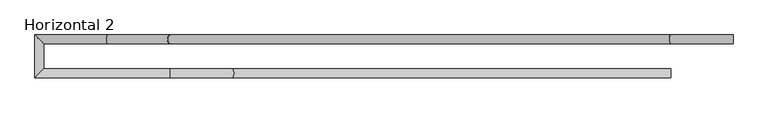
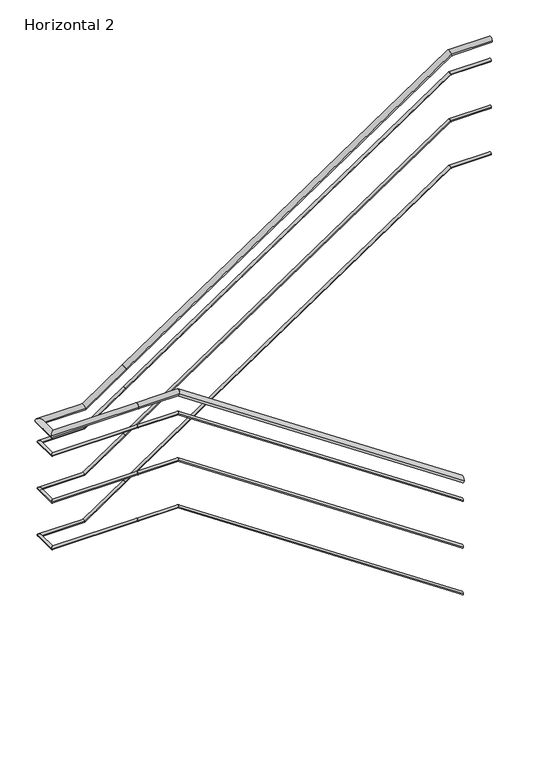
"""IFC4 building model written with IfcOpenShell, lengths in millimetres: railing geometry, Horizontal 2."""

from ifc_helpers import new_model, si_unit, frame, origin, place, context, project, spatial, circle_curve, ellipse_curve, source, transform, mapped, element, save
from ifc_brep_helpers import plane_surface, cylinder_surface, advanced_brep


def horizontal_2_b5299a0f(model_context):
    return source(origin(), model_context, "Body", "AdvancedBrep", [
        advanced_brep(
        [(27223.6802172, 3489.2722769, 1168.2352941), (27223.6802172, 3529.2722769, 1168.2352941), (25263.6802172, 3529.2722769, 2485.8823529), (25263.6802172, 3489.2722769, 2485.8823529), (24983.6802172, 3489.2722769, 2485.8823529), (24983.6802172, 3529.2722769, 2485.8823529)],
        [
            (0, 1, ellipse_curve(frame((27223.6802172, 3509.2722769, 1168.2352941), z_axis=(1.0, 0.0, 0.0), x_axis=(0.0, 0.0, -1.0)), 24.0993401, 20.0)),
            (1, 0, ellipse_curve(frame((27223.6802172, 3509.2722769, 1168.2352941), z_axis=(1.0, 0.0, 0.0), x_axis=(0.0, 0.0, -1.0)), 24.0993401, 20.0)),
            (1, 2),
            (2, 3, ellipse_curve(frame((25263.6802172, 3509.2722769, 2485.8823529), z_axis=(0.9565297283578037, 0.0, -0.29163483805565177), x_axis=(-0.2916348380556515, 0.0, -0.9565297283578038)), 20.9089163, 20.0)),
            (3, 0),
            (3, 2, ellipse_curve(frame((25263.6802172, 3509.2722769, 2485.8823529), z_axis=(0.9565297283578037, 0.0, -0.29163483805565177), x_axis=(-0.2916348380556515, 0.0, -0.9565297283578038)), 20.9089163, 20.0)),
            (4, 5, circle_curve(frame((24983.6802172, 3509.2722769, 2485.8823529), z_axis=(-1.0, 0.0, 0.0), x_axis=(0.0, 1.0, 0.0)), 20.0)),
            (5, 4, circle_curve(frame((24983.6802172, 3509.2722769, 2485.8823529), z_axis=(-1.0, 0.0, 0.0), x_axis=(0.0, 1.0, 0.0)), 20.0)),
            (2, 5),
            (4, 3),
        ],
        [
            plane_surface(frame((27223.6802172, 3509.2722769, 1168.2352941), z_axis=(1.0, 0.0, 0.0), x_axis=(0.0, -1.0, 0.0))),
            cylinder_surface(frame((27223.6802172, 3509.2722769, 1168.2352941), z_axis=(0.8298982424645077, 0.0, -0.5579147848500892), x_axis=(0.0, 1.0, 0.0)), 20.0),
            plane_surface(frame((24983.6802172, 3509.2722769, 2485.8823529), z_axis=(-1.0, 0.0, 0.0), x_axis=(0.0, -1.0, 0.0))),
            cylinder_surface(frame((25263.6802172, 3509.2722769, 2485.8823529), z_axis=(1.0, 0.0, 0.0), x_axis=(0.0, 1.0, 0.0)), 20.0),
        ],
        [
            (0, [[1, 2]]),
            (1, [[-2, 3, 4, 5]]),
            (1, [[-1, -5, 6, -3]]),
            (2, [[7, 8]]),
            (3, [[-4, 9, -7, 10]]),
            (3, [[-6, -10, -8, -9]]),
        ],
    ),
        advanced_brep(
        [(24983.6802172, 3489.2722769, 2485.8823529), (24983.6802172, 3529.2722769, 2485.8823529), (24378.2802172, 3489.2722769, 2485.8823529), (24418.2802172, 3529.2722769, 2485.8823529)],
        [
            (0, 1, circle_curve(frame((24983.6802172, 3509.2722769, 2485.8823529), z_axis=(1.0, 0.0, 0.0), x_axis=(0.0, 1.0, 0.0)), 20.0)),
            (1, 0, circle_curve(frame((24983.6802172, 3509.2722769, 2485.8823529), z_axis=(1.0, 0.0, 0.0), x_axis=(0.0, 1.0, 0.0)), 20.0)),
            (2, 3, ellipse_curve(frame((24398.2802172, 3509.2722769, 2485.8823529), z_axis=(-0.7071067811865462, 0.7071067811865489, 0.0), x_axis=(0.7071067811865487, 0.7071067811865462, 0.0)), 28.2842712, 20.0)),
            (3, 2, ellipse_curve(frame((24398.2802172, 3509.2722769, 2485.8823529), z_axis=(-0.7071067811865462, 0.7071067811865489, 0.0), x_axis=(0.7071067811865487, 0.7071067811865462, 0.0)), 28.2842712, 20.0)),
            (1, 3),
            (2, 0),
        ],
        [
            plane_surface(frame((24983.6802172, 3509.2722769, 2485.8823529), z_axis=(1.0, 0.0, 0.0), x_axis=(0.0, -1.0, 0.0))),
            plane_surface(frame((24398.2802172, 3509.2722769, 2485.8823529), z_axis=(-0.7071067811865462, 0.7071067811865489, 0.0), x_axis=(0.7071067811865489, 0.7071067811865462, 0.0))),
            cylinder_surface(frame((24983.6802172, 3509.2722769, 2485.8823529), z_axis=(1.0, 0.0, 0.0), x_axis=(0.0, 1.0, 0.0)), 20.0),
        ],
        [
            (0, [[1, 2]]),
            (1, [[3, 4]]),
            (2, [[-2, 5, -3, 6]]),
            (2, [[-1, -6, -4, -5]]),
        ],
    ),
        advanced_brep(
        [(27223.6802172, 3499.2722769, 1018.2352941), (27223.6802172, 3519.2722769, 1018.2352941), (25263.6802172, 3519.2722769, 2335.8823529), (25263.6802172, 3499.2722769, 2335.8823529), (24983.6802172, 3499.2722769, 2335.8823529), (24983.6802172, 3519.2722769, 2335.8823529)],
        [
            (0, 1, ellipse_curve(frame((27223.6802172, 3509.2722769, 1018.2352941), z_axis=(1.0, 0.0, 0.0), x_axis=(0.0, 0.0, -1.0)), 12.0496701, 10.0)),
            (1, 0, ellipse_curve(frame((27223.6802172, 3509.2722769, 1018.2352941), z_axis=(1.0, 0.0, 0.0), x_axis=(0.0, 0.0, -1.0)), 12.0496701, 10.0)),
            (1, 2),
            (2, 3, ellipse_curve(frame((25263.6802172, 3509.2722769, 2335.8823529), z_axis=(0.9565297283578037, 0.0, -0.29163483805565177), x_axis=(-0.2916348380556515, 0.0, -0.9565297283578038)), 10.4544581, 10.0)),
            (3, 0),
            (3, 2, ellipse_curve(frame((25263.6802172, 3509.2722769, 2335.8823529), z_axis=(0.9565297283578037, 0.0, -0.29163483805565177), x_axis=(-0.2916348380556515, 0.0, -0.9565297283578038)), 10.4544581, 10.0)),
            (4, 5, circle_curve(frame((24983.6802172, 3509.2722769, 2335.8823529), z_axis=(-1.0, 0.0, 0.0), x_axis=(0.0, 1.0, 0.0)), 10.0)),
            (5, 4, circle_curve(frame((24983.6802172, 3509.2722769, 2335.8823529), z_axis=(-1.0, 0.0, 0.0), x_axis=(0.0, 1.0, 0.0)), 10.0)),
            (2, 5),
            (4, 3),
        ],
        [
            plane_surface(frame((27223.6802172, 3509.2722769, 1018.2352941), z_axis=(1.0, 0.0, 0.0), x_axis=(0.0, -1.0, 0.0))),
            cylinder_surface(frame((27223.6802172, 3509.2722769, 1018.2352941), z_axis=(0.8298982424645077, 0.0, -0.5579147848500892), x_axis=(0.0, 1.0, 0.0)), 10.0),
            plane_surface(frame((24983.6802172, 3509.2722769, 2335.8823529), z_axis=(-1.0, 0.0, 0.0), x_axis=(0.0, -1.0, 0.0))),
            cylinder_surface(frame((25263.6802172, 3509.2722769, 2335.8823529), z_axis=(1.0, 0.0, 0.0), x_axis=(0.0, 1.0, 0.0)), 10.0),
        ],
        [
            (0, [[1, 2]]),
            (1, [[-2, 3, 4, 5]]),
            (1, [[-1, -5, 6, -3]]),
            (2, [[7, 8]]),
            (3, [[-4, 9, -7, 10]]),
            (3, [[-6, -10, -8, -9]]),
        ],
    ),
        advanced_brep(
        [(24983.6802172, 3499.2722769, 2335.8823529), (24983.6802172, 3519.2722769, 2335.8823529), (24388.2802172, 3499.2722769, 2335.8823529), (24408.2802172, 3519.2722769, 2335.8823529)],
        [
            (0, 1, circle_curve(frame((24983.6802172, 3509.2722769, 2335.8823529), z_axis=(1.0, 0.0, 0.0), x_axis=(0.0, 1.0, 0.0)), 10.0)),
            (1, 0, circle_curve(frame((24983.6802172, 3509.2722769, 2335.8823529), z_axis=(1.0, 0.0, 0.0), x_axis=(0.0, 1.0, 0.0)), 10.0)),
            (2, 3, ellipse_curve(frame((24398.2802172, 3509.2722769, 2335.8823529), z_axis=(-0.7071067811865462, 0.7071067811865489, 0.0), x_axis=(0.7071067811865487, 0.7071067811865462, 0.0)), 14.1421356, 10.0)),
            (3, 2, ellipse_curve(frame((24398.2802172, 3509.2722769, 2335.8823529), z_axis=(-0.7071067811865462, 0.7071067811865489, 0.0), x_axis=(0.7071067811865487, 0.7071067811865462, 0.0)), 14.1421356, 10.0)),
            (1, 3),
            (2, 0),
        ],
        [
            plane_surface(frame((24983.6802172, 3509.2722769, 2335.8823529), z_axis=(1.0, 0.0, 0.0), x_axis=(0.0, -1.0, 0.0))),
            plane_surface(frame((24398.2802172, 3509.2722769, 2335.8823529), z_axis=(-0.7071067811865462, 0.7071067811865489, 0.0), x_axis=(0.7071067811865489, 0.7071067811865462, 0.0))),
            cylinder_surface(frame((24983.6802172, 3509.2722769, 2335.8823529), z_axis=(1.0, 0.0, 0.0), x_axis=(0.0, 1.0, 0.0)), 10.0),
        ],
        [
            (0, [[1, 2]]),
            (1, [[3, 4]]),
            (2, [[-2, 5, -3, 6]]),
            (2, [[-1, -6, -4, -5]]),
        ],
    ),
        advanced_brep(
        [(24378.2802172, 3489.2722769, 2485.8823529), (24418.2802172, 3529.2722769, 2485.8823529), (24378.2802172, 3680.0722769, 2485.8823529), (24418.2802172, 3640.0722769, 2485.8823529)],
        [
            (0, 1, ellipse_curve(frame((24398.2802172, 3509.2722769, 2485.8823529), z_axis=(0.7071067811865462, -0.7071067811865489, 0.0), x_axis=(-0.7071067811865489, -0.707106781186546, 0.0)), 28.2842712, 20.0)),
            (1, 0, ellipse_curve(frame((24398.2802172, 3509.2722769, 2485.8823529), z_axis=(0.7071067811865462, -0.7071067811865489, 0.0), x_axis=(-0.7071067811865489, -0.707106781186546, 0.0)), 28.2842712, 20.0)),
            (2, 3, ellipse_curve(frame((24398.2802172, 3660.0722769, 2485.8823529), z_axis=(0.7071067811865489, 0.7071067811865461, 0.0), x_axis=(0.7071067811865461, -0.7071067811865489, 0.0)), 28.2842712, 20.0)),
            (3, 2, ellipse_curve(frame((24398.2802172, 3660.0722769, 2485.8823529), z_axis=(0.7071067811865489, 0.7071067811865461, 0.0), x_axis=(0.7071067811865461, -0.7071067811865489, 0.0)), 28.2842712, 20.0)),
            (1, 3),
            (2, 0),
        ],
        [
            plane_surface(frame((24398.2802172, 3509.2722769, 2485.8823529), z_axis=(0.7071067811865462, -0.7071067811865489, 0.0), x_axis=(0.7071067811865489, 0.7071067811865462, 0.0))),
            plane_surface(frame((24398.2802172, 3660.0722769, 2485.8823529), z_axis=(0.7071067811865489, 0.7071067811865461, 0.0), x_axis=(0.7071067811865461, -0.7071067811865489, 0.0))),
            cylinder_surface(frame((24398.2802172, 3509.2722769, 2485.8823529), z_axis=(0.0, -1.0, 0.0), x_axis=(1.0, 0.0, 0.0)), 20.0),
        ],
        [
            (0, [[1, 2]]),
            (1, [[3, 4]]),
            (2, [[-2, 5, -3, 6]]),
            (2, [[-1, -6, -4, -5]]),
        ],
    ),
        advanced_brep(
        [(24378.2802172, 3680.0722769, 2485.8823529), (24418.2802172, 3640.0722769, 2485.8823529), (24703.6802172, 3640.0722769, 2485.8823529), (24703.6802172, 3680.0722769, 2485.8823529), (24983.6802172, 3680.0722769, 2674.1176471), (24983.6802172, 3640.0722769, 2674.1176471)],
        [
            (0, 1, ellipse_curve(frame((24398.2802172, 3660.0722769, 2485.8823529), z_axis=(-0.7071067811865489, -0.7071067811865461, 0.0), x_axis=(-0.7071067811865461, 0.7071067811865489, 0.0)), 28.2842712, 20.0)),
            (1, 0, ellipse_curve(frame((24398.2802172, 3660.0722769, 2485.8823529), z_axis=(-0.7071067811865489, -0.7071067811865461, 0.0), x_axis=(-0.7071067811865461, 0.7071067811865489, 0.0)), 28.2842712, 20.0)),
            (1, 2),
            (2, 3, ellipse_curve(frame((24703.6802172, 3660.0722769, 2485.8823529), z_axis=(-0.9565297283578037, 0.0, -0.29163483805565177), x_axis=(-0.29163483805565205, 0.0, 0.9565297283578036)), 20.9089163, 20.0)),
            (3, 0),
            (3, 2, ellipse_curve(frame((24703.6802172, 3660.0722769, 2485.8823529), z_axis=(-0.9565297283578037, 0.0, -0.29163483805565177), x_axis=(-0.29163483805565205, 0.0, 0.9565297283578036)), 20.9089163, 20.0)),
            (4, 5, circle_curve(frame((24983.6802172, 3660.0722769, 2674.1176471), z_axis=(0.8298982424645075, 0.0, 0.5579147848500894), x_axis=(0.0, -1.0, 0.0)), 20.0)),
            (5, 4, circle_curve(frame((24983.6802172, 3660.0722769, 2674.1176471), z_axis=(0.8298982424645075, 0.0, 0.5579147848500894), x_axis=(0.0, -1.0, 0.0)), 20.0)),
            (2, 5),
            (4, 3),
        ],
        [
            plane_surface(frame((24398.2802172, 3660.0722769, 2485.8823529), z_axis=(-0.7071067811865489, -0.7071067811865461, 0.0), x_axis=(0.7071067811865461, -0.7071067811865489, 0.0))),
            cylinder_surface(frame((24398.2802172, 3660.0722769, 2485.8823529), z_axis=(-1.0, 0.0, 0.0), x_axis=(0.0, -1.0, 0.0)), 20.0),
            plane_surface(frame((24983.6802172, 3660.0722769, 2674.1176471), z_axis=(0.8298982424645076, 0.0, 0.5579147848500894), x_axis=(0.5579147848500894, 0.0, -0.8298982424645076))),
            cylinder_surface(frame((24703.6802172, 3660.0722769, 2485.8823529), z_axis=(-0.8298982424645075, 0.0, -0.5579147848500894), x_axis=(0.0, -1.0, 0.0)), 20.0),
        ],
        [
            (0, [[1, 2]]),
            (1, [[-2, 3, 4, 5]]),
            (1, [[-1, -5, 6, -3]]),
            (2, [[7, 8]]),
            (3, [[-4, 9, -7, 10]]),
            (3, [[-6, -10, -8, -9]]),
        ],
    ),
        advanced_brep(
        [(24983.6802172, 3680.0722769, 2674.1176471), (24983.6802172, 3640.0722769, 2674.1176471), (27223.6802172, 3640.0722769, 4180.0), (27223.6802172, 3680.0722769, 4180.0), (27503.6802172, 3680.0722769, 4180.0), (27503.6802172, 3640.0722769, 4180.0)],
        [
            (0, 1, circle_curve(frame((24983.6802172, 3660.0722769, 2674.1176471), z_axis=(-0.8298982424645077, 0.0, -0.557914784850089), x_axis=(0.0, -1.0, 0.0)), 20.0)),
            (1, 0, circle_curve(frame((24983.6802172, 3660.0722769, 2674.1176471), z_axis=(-0.8298982424645077, 0.0, -0.557914784850089), x_axis=(0.0, -1.0, 0.0)), 20.0)),
            (1, 2),
            (2, 3, ellipse_curve(frame((27223.6802172, 3660.0722769, 4180.0), z_axis=(-0.9565297283578037, 0.0, -0.2916348380556517), x_axis=(0.29163483805565155, 0.0, -0.9565297283578037)), 20.9089163, 20.0)),
            (3, 0),
            (3, 2, ellipse_curve(frame((27223.6802172, 3660.0722769, 4180.0), z_axis=(-0.9565297283578037, 0.0, -0.2916348380556517), x_axis=(0.29163483805565155, 0.0, -0.9565297283578037)), 20.9089163, 20.0)),
            (4, 5, circle_curve(frame((27503.6802172, 3660.0722769, 4180.0), z_axis=(1.0, 0.0, 0.0), x_axis=(0.0, -1.0, 0.0)), 20.0)),
            (5, 4, circle_curve(frame((27503.6802172, 3660.0722769, 4180.0), z_axis=(1.0, 0.0, 0.0), x_axis=(0.0, -1.0, 0.0)), 20.0)),
            (2, 5),
            (4, 3),
        ],
        [
            plane_surface(frame((24983.6802172, 3660.0722769, 2674.1176471), z_axis=(-0.8298982424645078, 0.0, -0.5579147848500889), x_axis=(0.5579147848500889, 0.0, -0.8298982424645078))),
            cylinder_surface(frame((24983.6802172, 3660.0722769, 2674.1176471), z_axis=(-0.8298982424645077, 0.0, -0.557914784850089), x_axis=(0.0, -1.0, 0.0)), 20.0),
            plane_surface(frame((27503.6802172, 3660.0722769, 4180.0), z_axis=(1.0, 0.0, 0.0), x_axis=(0.0, 1.0, 0.0))),
            cylinder_surface(frame((27223.6802172, 3660.0722769, 4180.0), z_axis=(-1.0, 0.0, 0.0), x_axis=(0.0, -1.0, 0.0)), 20.0),
        ],
        [
            (0, [[1, 2]]),
            (1, [[-2, 3, 4, 5]]),
            (1, [[-1, -5, 6, -3]]),
            (2, [[7, 8]]),
            (3, [[-4, 9, -7, 10]]),
            (3, [[-6, -10, -8, -9]]),
        ],
    ),
        advanced_brep(
        [(24388.2802172, 3499.2722769, 2335.8823529), (24408.2802172, 3519.2722769, 2335.8823529), (24388.2802172, 3670.0722769, 2335.8823529), (24408.2802172, 3650.0722769, 2335.8823529)],
        [
            (0, 1, ellipse_curve(frame((24398.2802172, 3509.2722769, 2335.8823529), z_axis=(0.7071067811865462, -0.7071067811865489, 0.0), x_axis=(-0.7071067811865489, -0.707106781186546, 0.0)), 14.1421356, 10.0)),
            (1, 0, ellipse_curve(frame((24398.2802172, 3509.2722769, 2335.8823529), z_axis=(0.7071067811865462, -0.7071067811865489, 0.0), x_axis=(-0.7071067811865489, -0.707106781186546, 0.0)), 14.1421356, 10.0)),
            (2, 3, ellipse_curve(frame((24398.2802172, 3660.0722769, 2335.8823529), z_axis=(0.7071067811865489, 0.7071067811865461, 0.0), x_axis=(0.7071067811865461, -0.7071067811865489, 0.0)), 14.1421356, 10.0)),
            (3, 2, ellipse_curve(frame((24398.2802172, 3660.0722769, 2335.8823529), z_axis=(0.7071067811865489, 0.7071067811865461, 0.0), x_axis=(0.7071067811865461, -0.7071067811865489, 0.0)), 14.1421356, 10.0)),
            (1, 3),
            (2, 0),
        ],
        [
            plane_surface(frame((24398.2802172, 3509.2722769, 2335.8823529), z_axis=(0.7071067811865462, -0.7071067811865489, 0.0), x_axis=(0.7071067811865489, 0.7071067811865462, 0.0))),
            plane_surface(frame((24398.2802172, 3660.0722769, 2335.8823529), z_axis=(0.7071067811865489, 0.7071067811865461, 0.0), x_axis=(0.7071067811865461, -0.7071067811865489, 0.0))),
            cylinder_surface(frame((24398.2802172, 3509.2722769, 2335.8823529), z_axis=(0.0, -1.0, 0.0), x_axis=(1.0, 0.0, 0.0)), 10.0),
        ],
        [
            (0, [[1, 2]]),
            (1, [[3, 4]]),
            (2, [[-2, 5, -3, 6]]),
            (2, [[-1, -6, -4, -5]]),
        ],
    ),
        advanced_brep(
        [(24388.2802172, 3670.0722769, 2335.8823529), (24408.2802172, 3650.0722769, 2335.8823529), (24703.6802172, 3650.0722769, 2335.8823529), (24703.6802172, 3670.0722769, 2335.8823529), (24983.6802172, 3670.0722769, 2524.1176471), (24983.6802172, 3650.0722769, 2524.1176471)],
        [
            (0, 1, ellipse_curve(frame((24398.2802172, 3660.0722769, 2335.8823529), z_axis=(-0.7071067811865489, -0.7071067811865461, 0.0), x_axis=(-0.7071067811865461, 0.7071067811865489, 0.0)), 14.1421356, 10.0)),
            (1, 0, ellipse_curve(frame((24398.2802172, 3660.0722769, 2335.8823529), z_axis=(-0.7071067811865489, -0.7071067811865461, 0.0), x_axis=(-0.7071067811865461, 0.7071067811865489, 0.0)), 14.1421356, 10.0)),
            (1, 2),
            (2, 3, ellipse_curve(frame((24703.6802172, 3660.0722769, 2335.8823529), z_axis=(-0.9565297283578037, 0.0, -0.29163483805565177), x_axis=(-0.29163483805565205, 0.0, 0.9565297283578036)), 10.4544581, 10.0)),
            (3, 0),
            (3, 2, ellipse_curve(frame((24703.6802172, 3660.0722769, 2335.8823529), z_axis=(-0.9565297283578037, 0.0, -0.29163483805565177), x_axis=(-0.29163483805565205, 0.0, 0.9565297283578036)), 10.4544581, 10.0)),
            (4, 5, circle_curve(frame((24983.6802172, 3660.0722769, 2524.1176471), z_axis=(0.8298982424645075, 0.0, 0.5579147848500894), x_axis=(0.0, -1.0, 0.0)), 10.0)),
            (5, 4, circle_curve(frame((24983.6802172, 3660.0722769, 2524.1176471), z_axis=(0.8298982424645075, 0.0, 0.5579147848500894), x_axis=(0.0, -1.0, 0.0)), 10.0)),
            (2, 5),
            (4, 3),
        ],
        [
            plane_surface(frame((24398.2802172, 3660.0722769, 2335.8823529), z_axis=(-0.7071067811865489, -0.7071067811865461, 0.0), x_axis=(0.7071067811865461, -0.7071067811865489, 0.0))),
            cylinder_surface(frame((24398.2802172, 3660.0722769, 2335.8823529), z_axis=(-1.0, 0.0, 0.0), x_axis=(0.0, -1.0, 0.0)), 10.0),
            plane_surface(frame((24983.6802172, 3660.0722769, 2524.1176471), z_axis=(0.8298982424645076, 0.0, 0.5579147848500894), x_axis=(0.5579147848500894, 0.0, -0.8298982424645076))),
            cylinder_surface(frame((24703.6802172, 3660.0722769, 2335.8823529), z_axis=(-0.8298982424645075, 0.0, -0.5579147848500894), x_axis=(0.0, -1.0, 0.0)), 10.0),
        ],
        [
            (0, [[1, 2]]),
            (1, [[-2, 3, 4, 5]]),
            (1, [[-1, -5, 6, -3]]),
            (2, [[7, 8]]),
            (3, [[-4, 9, -7, 10]]),
            (3, [[-6, -10, -8, -9]]),
        ],
    ),
        advanced_brep(
        [(24983.6802172, 3670.0722769, 2524.1176471), (24983.6802172, 3650.0722769, 2524.1176471), (27223.6802172, 3650.0722769, 4030.0), (27223.6802172, 3670.0722769, 4030.0), (27503.6802172, 3670.0722769, 4030.0), (27503.6802172, 3650.0722769, 4030.0)],
        [
            (0, 1, circle_curve(frame((24983.6802172, 3660.0722769, 2524.1176471), z_axis=(-0.8298982424645077, 0.0, -0.557914784850089), x_axis=(0.0, -1.0, 0.0)), 10.0)),
            (1, 0, circle_curve(frame((24983.6802172, 3660.0722769, 2524.1176471), z_axis=(-0.8298982424645077, 0.0, -0.557914784850089), x_axis=(0.0, -1.0, 0.0)), 10.0)),
            (1, 2),
            (2, 3, ellipse_curve(frame((27223.6802172, 3660.0722769, 4030.0), z_axis=(-0.9565297283578037, 0.0, -0.2916348380556517), x_axis=(0.29163483805565155, 0.0, -0.9565297283578037)), 10.4544581, 10.0)),
            (3, 0),
            (3, 2, ellipse_curve(frame((27223.6802172, 3660.0722769, 4030.0), z_axis=(-0.9565297283578037, 0.0, -0.2916348380556517), x_axis=(0.29163483805565155, 0.0, -0.9565297283578037)), 10.4544581, 10.0)),
            (4, 5, circle_curve(frame((27503.6802172, 3660.0722769, 4030.0), z_axis=(1.0, 0.0, 0.0), x_axis=(0.0, -1.0, 0.0)), 10.0)),
            (5, 4, circle_curve(frame((27503.6802172, 3660.0722769, 4030.0), z_axis=(1.0, 0.0, 0.0), x_axis=(0.0, -1.0, 0.0)), 10.0)),
            (2, 5),
            (4, 3),
        ],
        [
            plane_surface(frame((24983.6802172, 3660.0722769, 2524.1176471), z_axis=(-0.8298982424645078, 0.0, -0.5579147848500889), x_axis=(0.5579147848500889, 0.0, -0.8298982424645078))),
            cylinder_surface(frame((24983.6802172, 3660.0722769, 2524.1176471), z_axis=(-0.8298982424645077, 0.0, -0.557914784850089), x_axis=(0.0, -1.0, 0.0)), 10.0),
            plane_surface(frame((27503.6802172, 3660.0722769, 4030.0), z_axis=(1.0, 0.0, 0.0), x_axis=(0.0, 1.0, 0.0))),
            cylinder_surface(frame((27223.6802172, 3660.0722769, 4030.0), z_axis=(-1.0, 0.0, 0.0), x_axis=(0.0, -1.0, 0.0)), 10.0),
        ],
        [
            (0, [[1, 2]]),
            (1, [[-2, 3, 4, 5]]),
            (1, [[-1, -5, 6, -3]]),
            (2, [[7, 8]]),
            (3, [[-4, 9, -7, 10]]),
            (3, [[-6, -10, -8, -9]]),
        ],
    ),
        advanced_brep(
        [(27223.6802172, 3499.2722769, 678.2352941), (27223.6802172, 3519.2722769, 678.2352941), (25263.6802172, 3499.2722769, 1995.8823529), (25263.6802172, 3519.2722769, 1995.8823529), (24983.6802172, 3499.2722769, 1995.8823529), (24983.6802172, 3519.2722769, 1995.8823529)],
        [
            (0, 1, ellipse_curve(frame((27223.6802172, 3509.2722769, 678.2352941), z_axis=(1.0, 0.0, 0.0), x_axis=(0.0, 0.0, -1.0)), 12.0496701, 10.0)),
            (1, 0, ellipse_curve(frame((27223.6802172, 3509.2722769, 678.2352941), z_axis=(1.0, 0.0, 0.0), x_axis=(0.0, 0.0, -1.0)), 12.0496701, 10.0)),
            (0, 2),
            (2, 3, ellipse_curve(frame((25263.6802172, 3509.2722769, 1995.8823529), z_axis=(0.9565297283578037, 0.0, -0.29163483805565177), x_axis=(-0.2916348380556515, 0.0, -0.9565297283578038)), 10.4544581, 10.0)),
            (3, 1),
            (3, 2, ellipse_curve(frame((25263.6802172, 3509.2722769, 1995.8823529), z_axis=(0.9565297283578037, 0.0, -0.29163483805565177), x_axis=(-0.2916348380556515, 0.0, -0.9565297283578038)), 10.4544581, 10.0)),
            (4, 5, circle_curve(frame((24983.6802172, 3509.2722769, 1995.8823529), z_axis=(-1.0, 0.0, 0.0), x_axis=(0.0, 1.0, 0.0)), 10.0)),
            (5, 4, circle_curve(frame((24983.6802172, 3509.2722769, 1995.8823529), z_axis=(-1.0, 0.0, 0.0), x_axis=(0.0, 1.0, 0.0)), 10.0)),
            (2, 4),
            (5, 3),
        ],
        [
            plane_surface(frame((27223.6802172, 3509.2722769, 678.2352941), z_axis=(1.0, 0.0, 0.0), x_axis=(0.0, -1.0, 0.0))),
            cylinder_surface(frame((27223.6802172, 3509.2722769, 678.2352941), z_axis=(0.8298982424645077, 0.0, -0.5579147848500892), x_axis=(0.0, 1.0, 0.0)), 10.0),
            plane_surface(frame((24983.6802172, 3509.2722769, 1995.8823529), z_axis=(-1.0, 0.0, 0.0), x_axis=(0.0, -1.0, 0.0))),
            cylinder_surface(frame((25263.6802172, 3509.2722769, 1995.8823529), z_axis=(1.0, 0.0, 0.0), x_axis=(0.0, 1.0, 0.0)), 10.0),
        ],
        [
            (0, [[1, 2]]),
            (1, [[-1, 3, 4, 5]]),
            (1, [[-2, -5, 6, -3]]),
            (2, [[7, 8]]),
            (3, [[-4, 9, -8, 10]]),
            (3, [[-6, -10, -7, -9]]),
        ],
    ),
        advanced_brep(
        [(24983.6802172, 3499.2722769, 1995.8823529), (24983.6802172, 3519.2722769, 1995.8823529), (24388.2802172, 3499.2722769, 1995.8823529), (24408.2802172, 3519.2722769, 1995.8823529)],
        [
            (0, 1, circle_curve(frame((24983.6802172, 3509.2722769, 1995.8823529), z_axis=(1.0, 0.0, 0.0), x_axis=(0.0, 1.0, 0.0)), 10.0)),
            (1, 0, circle_curve(frame((24983.6802172, 3509.2722769, 1995.8823529), z_axis=(1.0, 0.0, 0.0), x_axis=(0.0, 1.0, 0.0)), 10.0)),
            (2, 3, ellipse_curve(frame((24398.2802172, 3509.2722769, 1995.8823529), z_axis=(-0.7071067811865462, 0.7071067811865489, 0.0), x_axis=(0.7071067811865487, 0.7071067811865462, 0.0)), 14.1421356, 10.0)),
            (3, 2, ellipse_curve(frame((24398.2802172, 3509.2722769, 1995.8823529), z_axis=(-0.7071067811865462, 0.7071067811865489, 0.0), x_axis=(0.7071067811865487, 0.7071067811865462, 0.0)), 14.1421356, 10.0)),
            (0, 2),
            (3, 1),
        ],
        [
            plane_surface(frame((24983.6802172, 3509.2722769, 1995.8823529), z_axis=(1.0, 0.0, 0.0), x_axis=(0.0, -1.0, 0.0))),
            plane_surface(frame((24398.2802172, 3509.2722769, 1995.8823529), z_axis=(-0.7071067811865462, 0.7071067811865489, 0.0), x_axis=(0.7071067811865489, 0.7071067811865462, 0.0))),
            cylinder_surface(frame((24983.6802172, 3509.2722769, 1995.8823529), z_axis=(1.0, 0.0, 0.0), x_axis=(0.0, 1.0, 0.0)), 10.0),
        ],
        [
            (0, [[1, 2]]),
            (1, [[3, 4]]),
            (2, [[-1, 5, -4, 6]]),
            (2, [[-2, -6, -3, -5]]),
        ],
    ),
        advanced_brep(
        [(24388.2802172, 3499.2722769, 1995.8823529), (24408.2802172, 3519.2722769, 1995.8823529), (24388.2802172, 3670.0722769, 1995.8823529), (24408.2802172, 3650.0722769, 1995.8823529)],
        [
            (0, 1, ellipse_curve(frame((24398.2802172, 3509.2722769, 1995.8823529), z_axis=(0.7071067811865462, -0.7071067811865489, 0.0), x_axis=(-0.7071067811865489, -0.707106781186546, 0.0)), 14.1421356, 10.0)),
            (1, 0, ellipse_curve(frame((24398.2802172, 3509.2722769, 1995.8823529), z_axis=(0.7071067811865462, -0.7071067811865489, 0.0), x_axis=(-0.7071067811865489, -0.707106781186546, 0.0)), 14.1421356, 10.0)),
            (2, 3, ellipse_curve(frame((24398.2802172, 3660.0722769, 1995.8823529), z_axis=(0.7071067811865489, 0.7071067811865461, 0.0), x_axis=(0.7071067811865461, -0.7071067811865489, 0.0)), 14.1421356, 10.0)),
            (3, 2, ellipse_curve(frame((24398.2802172, 3660.0722769, 1995.8823529), z_axis=(0.7071067811865489, 0.7071067811865461, 0.0), x_axis=(0.7071067811865461, -0.7071067811865489, 0.0)), 14.1421356, 10.0)),
            (0, 2),
            (3, 1),
        ],
        [
            plane_surface(frame((24398.2802172, 3509.2722769, 1995.8823529), z_axis=(0.7071067811865462, -0.7071067811865489, 0.0), x_axis=(0.7071067811865489, 0.7071067811865462, 0.0))),
            plane_surface(frame((24398.2802172, 3660.0722769, 1995.8823529), z_axis=(0.7071067811865489, 0.7071067811865461, 0.0), x_axis=(0.7071067811865461, -0.7071067811865489, 0.0))),
            cylinder_surface(frame((24398.2802172, 3509.2722769, 1995.8823529), z_axis=(0.0, -1.0, 0.0), x_axis=(1.0, 0.0, 0.0)), 10.0),
        ],
        [
            (0, [[1, 2]]),
            (1, [[3, 4]]),
            (2, [[-1, 5, -4, 6]]),
            (2, [[-2, -6, -3, -5]]),
        ],
    ),
        advanced_brep(
        [(24388.2802172, 3670.0722769, 1995.8823529), (24408.2802172, 3650.0722769, 1995.8823529), (24703.6802172, 3670.0722769, 1995.8823529), (24703.6802172, 3650.0722769, 1995.8823529), (24983.6802172, 3670.0722769, 2184.1176471), (24983.6802172, 3650.0722769, 2184.1176471)],
        [
            (0, 1, ellipse_curve(frame((24398.2802172, 3660.0722769, 1995.8823529), z_axis=(-0.7071067811865489, -0.7071067811865461, 0.0), x_axis=(-0.7071067811865461, 0.7071067811865489, 0.0)), 14.1421356, 10.0)),
            (1, 0, ellipse_curve(frame((24398.2802172, 3660.0722769, 1995.8823529), z_axis=(-0.7071067811865489, -0.7071067811865461, 0.0), x_axis=(-0.7071067811865461, 0.7071067811865489, 0.0)), 14.1421356, 10.0)),
            (0, 2),
            (2, 3, ellipse_curve(frame((24703.6802172, 3660.0722769, 1995.8823529), z_axis=(-0.9565297283578037, 0.0, -0.29163483805565177), x_axis=(-0.29163483805565205, 0.0, 0.9565297283578036)), 10.4544581, 10.0)),
            (3, 1),
            (3, 2, ellipse_curve(frame((24703.6802172, 3660.0722769, 1995.8823529), z_axis=(-0.9565297283578037, 0.0, -0.29163483805565177), x_axis=(-0.29163483805565205, 0.0, 0.9565297283578036)), 10.4544581, 10.0)),
            (4, 5, circle_curve(frame((24983.6802172, 3660.0722769, 2184.1176471), z_axis=(0.8298982424645075, 0.0, 0.5579147848500894), x_axis=(0.0, -1.0, 0.0)), 10.0)),
            (5, 4, circle_curve(frame((24983.6802172, 3660.0722769, 2184.1176471), z_axis=(0.8298982424645075, 0.0, 0.5579147848500894), x_axis=(0.0, -1.0, 0.0)), 10.0)),
            (2, 4),
            (5, 3),
        ],
        [
            plane_surface(frame((24398.2802172, 3660.0722769, 1995.8823529), z_axis=(-0.7071067811865489, -0.7071067811865461, 0.0), x_axis=(0.7071067811865461, -0.7071067811865489, 0.0))),
            cylinder_surface(frame((24398.2802172, 3660.0722769, 1995.8823529), z_axis=(-1.0, 0.0, 0.0), x_axis=(0.0, -1.0, 0.0)), 10.0),
            plane_surface(frame((24983.6802172, 3660.0722769, 2184.1176471), z_axis=(0.8298982424645076, 0.0, 0.5579147848500894), x_axis=(0.5579147848500894, 0.0, -0.8298982424645076))),
            cylinder_surface(frame((24703.6802172, 3660.0722769, 1995.8823529), z_axis=(-0.8298982424645075, 0.0, -0.5579147848500894), x_axis=(0.0, -1.0, 0.0)), 10.0),
        ],
        [
            (0, [[1, 2]]),
            (1, [[-1, 3, 4, 5]]),
            (1, [[-2, -5, 6, -3]]),
            (2, [[7, 8]]),
            (3, [[-4, 9, -8, 10]]),
            (3, [[-6, -10, -7, -9]]),
        ],
    ),
        advanced_brep(
        [(24983.6802172, 3670.0722769, 2184.1176471), (24983.6802172, 3650.0722769, 2184.1176471), (27223.6802172, 3670.0722769, 3690.0), (27223.6802172, 3650.0722769, 3690.0), (27503.6802172, 3670.0722769, 3690.0), (27503.6802172, 3650.0722769, 3690.0)],
        [
            (0, 1, circle_curve(frame((24983.6802172, 3660.0722769, 2184.1176471), z_axis=(-0.8298982424645077, 0.0, -0.557914784850089), x_axis=(0.0, -1.0, 0.0)), 10.0)),
            (1, 0, circle_curve(frame((24983.6802172, 3660.0722769, 2184.1176471), z_axis=(-0.8298982424645077, 0.0, -0.557914784850089), x_axis=(0.0, -1.0, 0.0)), 10.0)),
            (0, 2),
            (2, 3, ellipse_curve(frame((27223.6802172, 3660.0722769, 3690.0), z_axis=(-0.9565297283578037, 0.0, -0.2916348380556517), x_axis=(0.29163483805565155, 0.0, -0.9565297283578037)), 10.4544581, 10.0)),
            (3, 1),
            (3, 2, ellipse_curve(frame((27223.6802172, 3660.0722769, 3690.0), z_axis=(-0.9565297283578037, 0.0, -0.2916348380556517), x_axis=(0.29163483805565155, 0.0, -0.9565297283578037)), 10.4544581, 10.0)),
            (4, 5, circle_curve(frame((27503.6802172, 3660.0722769, 3690.0), z_axis=(1.0, 0.0, 0.0), x_axis=(0.0, -1.0, 0.0)), 10.0)),
            (5, 4, circle_curve(frame((27503.6802172, 3660.0722769, 3690.0), z_axis=(1.0, 0.0, 0.0), x_axis=(0.0, -1.0, 0.0)), 10.0)),
            (2, 4),
            (5, 3),
        ],
        [
            plane_surface(frame((24983.6802172, 3660.0722769, 2184.1176471), z_axis=(-0.8298982424645078, 0.0, -0.5579147848500889), x_axis=(0.5579147848500889, 0.0, -0.8298982424645078))),
            cylinder_surface(frame((24983.6802172, 3660.0722769, 2184.1176471), z_axis=(-0.8298982424645077, 0.0, -0.557914784850089), x_axis=(0.0, -1.0, 0.0)), 10.0),
            plane_surface(frame((27503.6802172, 3660.0722769, 3690.0), z_axis=(1.0, 0.0, 0.0), x_axis=(0.0, 1.0, 0.0))),
            cylinder_surface(frame((27223.6802172, 3660.0722769, 3690.0), z_axis=(-1.0, 0.0, 0.0), x_axis=(0.0, -1.0, 0.0)), 10.0),
        ],
        [
            (0, [[1, 2]]),
            (1, [[-1, 3, 4, 5]]),
            (1, [[-2, -5, 6, -3]]),
            (2, [[7, 8]]),
            (3, [[-4, 9, -8, 10]]),
            (3, [[-6, -10, -7, -9]]),
        ],
    ),
        advanced_brep(
        [(27223.6802172, 3499.2722769, 338.2352941), (27223.6802172, 3519.2722769, 338.2352941), (25263.6802172, 3499.2722769, 1655.8823529), (25263.6802172, 3519.2722769, 1655.8823529), (24983.6802172, 3499.2722769, 1655.8823529), (24983.6802172, 3519.2722769, 1655.8823529)],
        [
            (0, 1, ellipse_curve(frame((27223.6802172, 3509.2722769, 338.2352941), z_axis=(1.0, 0.0, 0.0), x_axis=(0.0, 0.0, -1.0)), 12.0496701, 10.0)),
            (1, 0, ellipse_curve(frame((27223.6802172, 3509.2722769, 338.2352941), z_axis=(1.0, 0.0, 0.0), x_axis=(0.0, 0.0, -1.0)), 12.0496701, 10.0)),
            (0, 2),
            (2, 3, ellipse_curve(frame((25263.6802172, 3509.2722769, 1655.8823529), z_axis=(0.9565297283578037, 0.0, -0.29163483805565177), x_axis=(-0.2916348380556515, 0.0, -0.9565297283578038)), 10.4544581, 10.0)),
            (3, 1),
            (3, 2, ellipse_curve(frame((25263.6802172, 3509.2722769, 1655.8823529), z_axis=(0.9565297283578037, 0.0, -0.29163483805565177), x_axis=(-0.2916348380556515, 0.0, -0.9565297283578038)), 10.4544581, 10.0)),
            (4, 5, circle_curve(frame((24983.6802172, 3509.2722769, 1655.8823529), z_axis=(-1.0, 0.0, 0.0), x_axis=(0.0, 1.0, 0.0)), 10.0)),
            (5, 4, circle_curve(frame((24983.6802172, 3509.2722769, 1655.8823529), z_axis=(-1.0, 0.0, 0.0), x_axis=(0.0, 1.0, 0.0)), 10.0)),
            (2, 4),
            (5, 3),
        ],
        [
            plane_surface(frame((27223.6802172, 3509.2722769, 338.2352941), z_axis=(1.0, 0.0, 0.0), x_axis=(0.0, -1.0, 0.0))),
            cylinder_surface(frame((27223.6802172, 3509.2722769, 338.2352941), z_axis=(0.8298982424645077, 0.0, -0.5579147848500892), x_axis=(0.0, 1.0, 0.0)), 10.0),
            plane_surface(frame((24983.6802172, 3509.2722769, 1655.8823529), z_axis=(-1.0, 0.0, 0.0), x_axis=(0.0, -1.0, 0.0))),
            cylinder_surface(frame((25263.6802172, 3509.2722769, 1655.8823529), z_axis=(1.0, 0.0, 0.0), x_axis=(0.0, 1.0, 0.0)), 10.0),
        ],
        [
            (0, [[1, 2]]),
            (1, [[-1, 3, 4, 5]]),
            (1, [[-2, -5, 6, -3]]),
            (2, [[7, 8]]),
            (3, [[-4, 9, -8, 10]]),
            (3, [[-6, -10, -7, -9]]),
        ],
    ),
        advanced_brep(
        [(24983.6802172, 3499.2722769, 1655.8823529), (24983.6802172, 3519.2722769, 1655.8823529), (24388.2802172, 3499.2722769, 1655.8823529), (24408.2802172, 3519.2722769, 1655.8823529)],
        [
            (0, 1, circle_curve(frame((24983.6802172, 3509.2722769, 1655.8823529), z_axis=(1.0, 0.0, 0.0), x_axis=(0.0, 1.0, 0.0)), 10.0)),
            (1, 0, circle_curve(frame((24983.6802172, 3509.2722769, 1655.8823529), z_axis=(1.0, 0.0, 0.0), x_axis=(0.0, 1.0, 0.0)), 10.0)),
            (2, 3, ellipse_curve(frame((24398.2802172, 3509.2722769, 1655.8823529), z_axis=(-0.7071067811865462, 0.7071067811865489, 0.0), x_axis=(0.7071067811865487, 0.7071067811865462, 0.0)), 14.1421356, 10.0)),
            (3, 2, ellipse_curve(frame((24398.2802172, 3509.2722769, 1655.8823529), z_axis=(-0.7071067811865462, 0.7071067811865489, 0.0), x_axis=(0.7071067811865487, 0.7071067811865462, 0.0)), 14.1421356, 10.0)),
            (0, 2),
            (3, 1),
        ],
        [
            plane_surface(frame((24983.6802172, 3509.2722769, 1655.8823529), z_axis=(1.0, 0.0, 0.0), x_axis=(0.0, -1.0, 0.0))),
            plane_surface(frame((24398.2802172, 3509.2722769, 1655.8823529), z_axis=(-0.7071067811865462, 0.7071067811865489, 0.0), x_axis=(0.7071067811865489, 0.7071067811865462, 0.0))),
            cylinder_surface(frame((24983.6802172, 3509.2722769, 1655.8823529), z_axis=(1.0, 0.0, 0.0), x_axis=(0.0, 1.0, 0.0)), 10.0),
        ],
        [
            (0, [[1, 2]]),
            (1, [[3, 4]]),
            (2, [[-1, 5, -4, 6]]),
            (2, [[-2, -6, -3, -5]]),
        ],
    ),
        advanced_brep(
        [(24388.2802172, 3499.2722769, 1655.8823529), (24408.2802172, 3519.2722769, 1655.8823529), (24388.2802172, 3670.0722769, 1655.8823529), (24408.2802172, 3650.0722769, 1655.8823529)],
        [
            (0, 1, ellipse_curve(frame((24398.2802172, 3509.2722769, 1655.8823529), z_axis=(0.7071067811865462, -0.7071067811865489, 0.0), x_axis=(-0.7071067811865489, -0.707106781186546, 0.0)), 14.1421356, 10.0)),
            (1, 0, ellipse_curve(frame((24398.2802172, 3509.2722769, 1655.8823529), z_axis=(0.7071067811865462, -0.7071067811865489, 0.0), x_axis=(-0.7071067811865489, -0.707106781186546, 0.0)), 14.1421356, 10.0)),
            (2, 3, ellipse_curve(frame((24398.2802172, 3660.0722769, 1655.8823529), z_axis=(0.7071067811865489, 0.7071067811865461, 0.0), x_axis=(0.7071067811865461, -0.7071067811865489, 0.0)), 14.1421356, 10.0)),
            (3, 2, ellipse_curve(frame((24398.2802172, 3660.0722769, 1655.8823529), z_axis=(0.7071067811865489, 0.7071067811865461, 0.0), x_axis=(0.7071067811865461, -0.7071067811865489, 0.0)), 14.1421356, 10.0)),
            (0, 2),
            (3, 1),
        ],
        [
            plane_surface(frame((24398.2802172, 3509.2722769, 1655.8823529), z_axis=(0.7071067811865462, -0.7071067811865489, 0.0), x_axis=(0.7071067811865489, 0.7071067811865462, 0.0))),
            plane_surface(frame((24398.2802172, 3660.0722769, 1655.8823529), z_axis=(0.7071067811865489, 0.7071067811865461, 0.0), x_axis=(0.7071067811865461, -0.7071067811865489, 0.0))),
            cylinder_surface(frame((24398.2802172, 3509.2722769, 1655.8823529), z_axis=(0.0, -1.0, 0.0), x_axis=(1.0, 0.0, 0.0)), 10.0),
        ],
        [
            (0, [[1, 2]]),
            (1, [[3, 4]]),
            (2, [[-1, 5, -4, 6]]),
            (2, [[-2, -6, -3, -5]]),
        ],
    ),
        advanced_brep(
        [(24388.2802172, 3670.0722769, 1655.8823529), (24408.2802172, 3650.0722769, 1655.8823529), (24703.6802172, 3670.0722769, 1655.8823529), (24703.6802172, 3650.0722769, 1655.8823529), (24983.6802172, 3670.0722769, 1844.1176471), (24983.6802172, 3650.0722769, 1844.1176471)],
        [
            (0, 1, ellipse_curve(frame((24398.2802172, 3660.0722769, 1655.8823529), z_axis=(-0.7071067811865489, -0.7071067811865461, 0.0), x_axis=(-0.7071067811865461, 0.7071067811865489, 0.0)), 14.1421356, 10.0)),
            (1, 0, ellipse_curve(frame((24398.2802172, 3660.0722769, 1655.8823529), z_axis=(-0.7071067811865489, -0.7071067811865461, 0.0), x_axis=(-0.7071067811865461, 0.7071067811865489, 0.0)), 14.1421356, 10.0)),
            (0, 2),
            (2, 3, ellipse_curve(frame((24703.6802172, 3660.0722769, 1655.8823529), z_axis=(-0.9565297283578037, 0.0, -0.29163483805565177), x_axis=(-0.29163483805565205, 0.0, 0.9565297283578036)), 10.4544581, 10.0)),
            (3, 1),
            (3, 2, ellipse_curve(frame((24703.6802172, 3660.0722769, 1655.8823529), z_axis=(-0.9565297283578037, 0.0, -0.29163483805565177), x_axis=(-0.29163483805565205, 0.0, 0.9565297283578036)), 10.4544581, 10.0)),
            (4, 5, circle_curve(frame((24983.6802172, 3660.0722769, 1844.1176471), z_axis=(0.8298982424645075, 0.0, 0.5579147848500894), x_axis=(0.0, -1.0, 0.0)), 10.0)),
            (5, 4, circle_curve(frame((24983.6802172, 3660.0722769, 1844.1176471), z_axis=(0.8298982424645075, 0.0, 0.5579147848500894), x_axis=(0.0, -1.0, 0.0)), 10.0)),
            (2, 4),
            (5, 3),
        ],
        [
            plane_surface(frame((24398.2802172, 3660.0722769, 1655.8823529), z_axis=(-0.7071067811865489, -0.7071067811865461, 0.0), x_axis=(0.7071067811865461, -0.7071067811865489, 0.0))),
            cylinder_surface(frame((24398.2802172, 3660.0722769, 1655.8823529), z_axis=(-1.0, 0.0, 0.0), x_axis=(0.0, -1.0, 0.0)), 10.0),
            plane_surface(frame((24983.6802172, 3660.0722769, 1844.1176471), z_axis=(0.8298982424645076, 0.0, 0.5579147848500894), x_axis=(0.5579147848500894, 0.0, -0.8298982424645076))),
            cylinder_surface(frame((24703.6802172, 3660.0722769, 1655.8823529), z_axis=(-0.8298982424645075, 0.0, -0.5579147848500894), x_axis=(0.0, -1.0, 0.0)), 10.0),
        ],
        [
            (0, [[1, 2]]),
            (1, [[-1, 3, 4, 5]]),
            (1, [[-2, -5, 6, -3]]),
            (2, [[7, 8]]),
            (3, [[-4, 9, -8, 10]]),
            (3, [[-6, -10, -7, -9]]),
        ],
    ),
        advanced_brep(
        [(24983.6802172, 3670.0722769, 1844.1176471), (24983.6802172, 3650.0722769, 1844.1176471), (27223.6802172, 3670.0722769, 3350.0), (27223.6802172, 3650.0722769, 3350.0), (27503.6802172, 3670.0722769, 3350.0), (27503.6802172, 3650.0722769, 3350.0)],
        [
            (0, 1, circle_curve(frame((24983.6802172, 3660.0722769, 1844.1176471), z_axis=(-0.8298982424645077, 0.0, -0.557914784850089), x_axis=(0.0, -1.0, 0.0)), 10.0)),
            (1, 0, circle_curve(frame((24983.6802172, 3660.0722769, 1844.1176471), z_axis=(-0.8298982424645077, 0.0, -0.557914784850089), x_axis=(0.0, -1.0, 0.0)), 10.0)),
            (0, 2),
            (2, 3, ellipse_curve(frame((27223.6802172, 3660.0722769, 3350.0), z_axis=(-0.9565297283578037, 0.0, -0.2916348380556517), x_axis=(0.29163483805565155, 0.0, -0.9565297283578037)), 10.4544581, 10.0)),
            (3, 1),
            (3, 2, ellipse_curve(frame((27223.6802172, 3660.0722769, 3350.0), z_axis=(-0.9565297283578037, 0.0, -0.2916348380556517), x_axis=(0.29163483805565155, 0.0, -0.9565297283578037)), 10.4544581, 10.0)),
            (4, 5, circle_curve(frame((27503.6802172, 3660.0722769, 3350.0), z_axis=(1.0, 0.0, 0.0), x_axis=(0.0, -1.0, 0.0)), 10.0)),
            (5, 4, circle_curve(frame((27503.6802172, 3660.0722769, 3350.0), z_axis=(1.0, 0.0, 0.0), x_axis=(0.0, -1.0, 0.0)), 10.0)),
            (2, 4),
            (5, 3),
        ],
        [
            plane_surface(frame((24983.6802172, 3660.0722769, 1844.1176471), z_axis=(-0.8298982424645078, 0.0, -0.5579147848500889), x_axis=(0.5579147848500889, 0.0, -0.8298982424645078))),
            cylinder_surface(frame((24983.6802172, 3660.0722769, 1844.1176471), z_axis=(-0.8298982424645077, 0.0, -0.557914784850089), x_axis=(0.0, -1.0, 0.0)), 10.0),
            plane_surface(frame((27503.6802172, 3660.0722769, 3350.0), z_axis=(1.0, 0.0, 0.0), x_axis=(0.0, 1.0, 0.0))),
            cylinder_surface(frame((27223.6802172, 3660.0722769, 3350.0), z_axis=(-1.0, 0.0, 0.0), x_axis=(0.0, -1.0, 0.0)), 10.0),
        ],
        [
            (0, [[1, 2]]),
            (1, [[-1, 3, 4, 5]]),
            (1, [[-2, -5, 6, -3]]),
            (2, [[7, 8]]),
            (3, [[-4, 9, -8, 10]]),
            (3, [[-6, -10, -7, -9]]),
        ],
    ),
    ])


if __name__ == "__main__":
    model = new_model("IFC4")
    model_context = context("Model", 3, world=origin())
    ifc_project = project(units=[si_unit("LENGTHUNIT", "METRE", prefix="MILLI")], contexts=[model_context])
    site = spatial("IfcSite", under=ifc_project)
    building = spatial("IfcBuilding", under=site)
    placement = place(None, origin())
    horizontal_2_shape = horizontal_2_b5299a0f(model_context)
    element("IfcRailing", 1, ObjectType="Horizontal 2", at=placement, inside=building, context=model_context, shape_type="MappedRepresentation", body=[
        mapped(horizontal_2_shape, transform((0.0, 0.0, 0.0), x_axis=(1.0, 0.0, 0.0), y_axis=(0.0, 1.0, 0.0), z_axis=(0.0, 0.0, 1.0))),
    ])
    save(model, "model.ifc")
